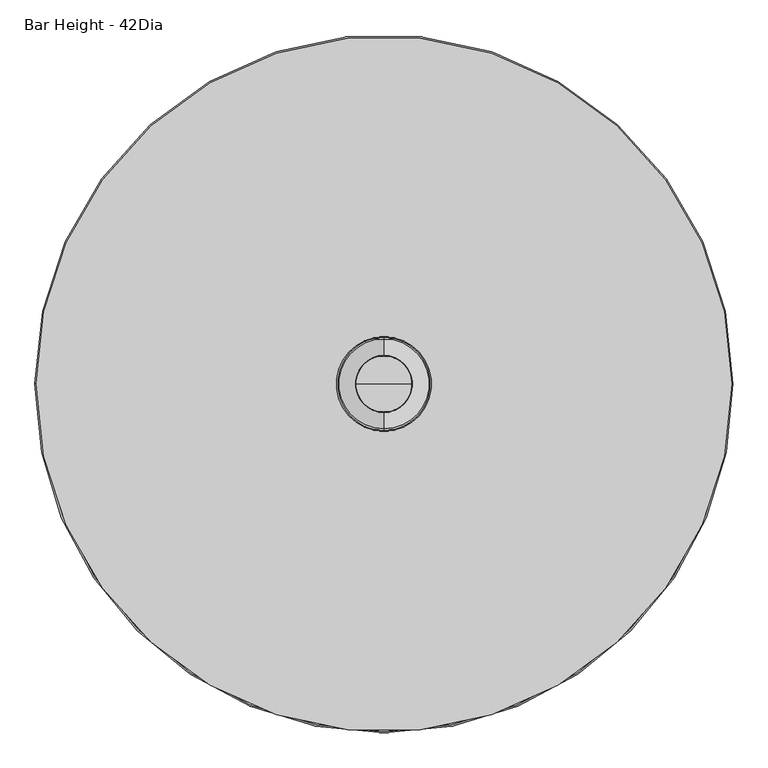
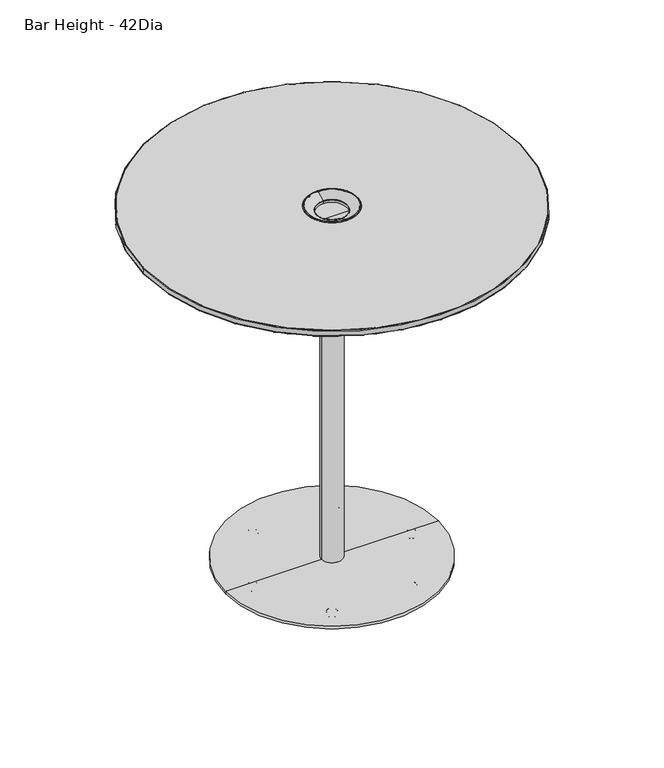
"""IFC4 building model written with IfcOpenShell, lengths in millimetres: furniture geometry, Bar Height - 42Dia."""

from ifc_helpers import new_model, si_unit, point, frame, origin, origin_with_axes, origin_2d, place, context, project, spatial, polyline, circle_curve, ellipse_curve, trimmed, segment, composite_curve, outline, extrude, source, transform, mapped, element, save
from ifc_brep_helpers import plane_surface, cylinder_surface, revolved_surface, advanced_brep


def bar_height_42dia_0636db84(model_context):
    return source(origin(), model_context, "Body", "SolidModel", [
        advanced_brep(
        [(112.3723043, -195.0325848, 0.0), (119.7149467, -202.3752273, 0.0), (105.0296619, -187.6899424, 0.0), (120.2614489, -202.9217294, 0.5718943), (104.4831597, -187.1434403, 0.5718943), (122.560548, -205.2208285, 11.2068005), (102.1840606, -184.8443412, 11.2068005), (122.1455272, -204.8058077, 11.9999882), (102.5990814, -185.259362, 11.9999882), (112.3723043, -195.0325848, 11.9999882)],
        [
            (0, 1),
            (1, 2, circle_curve(frame((112.3723043, -195.0325848, 0.0), z_axis=(0.0, 0.0, -1.0), x_axis=(0.7071067811865602, -0.7071067811865349, 0.0)), 10.3840645)),
            (2, 0),
            (2, 1, circle_curve(frame((112.3723043, -195.0325848, 0.0), z_axis=(0.0, 0.0, -1.0), x_axis=(0.7071067811865602, -0.7071067811865349, 0.0)), 10.3840645)),
            (1, 3, circle_curve(frame((119.7149467, -202.3752273, 0.8081846), z_axis=(-0.7071067811865349, -0.7071067811865602, 0.0), x_axis=(0.7071067811865602, -0.7071067811865349, 0.0)), 0.8081846)),
            (3, 4, circle_curve(frame((112.3723043, -195.0325848, 0.5718943), z_axis=(0.0, 0.0, -1.0), x_axis=(0.7071067811865602, -0.7071067811865349, 0.0)), 11.1569353)),
            (4, 2, circle_curve(frame((105.0296619, -187.6899424, 0.8081846), z_axis=(-0.7071067811865326, -0.7071067811865626, 0.0), x_axis=(-0.7071067811865626, 0.7071067811865326, 0.0)), 0.8081846)),
            (4, 3, circle_curve(frame((112.3723043, -195.0325848, 0.5718943), z_axis=(0.0, 0.0, -1.0), x_axis=(0.7071067811865602, -0.7071067811865349, 0.0)), 11.1569353)),
            (3, 5),
            (5, 6, circle_curve(frame((112.3723043, -195.0325848, 11.2068005), z_axis=(0.0, 0.0, -1.0), x_axis=(0.7071067811865602, -0.7071067811865349, 0.0)), 14.4083524)),
            (6, 4),
            (6, 5, circle_curve(frame((112.3723043, -195.0325848, 11.2068005), z_axis=(0.0, 0.0, -1.0), x_axis=(0.7071067811865602, -0.7071067811865349, 0.0)), 14.4083524)),
            (5, 7, circle_curve(frame((122.1455272, -204.8058077, 11.3862424), z_axis=(-0.7071067811865349, -0.7071067811865602, 0.0), x_axis=(0.7071067811865602, -0.7071067811865349, 0.0)), 0.6137458)),
            (7, 8, circle_curve(frame((112.3723043, -195.0325848, 11.9999882), z_axis=(0.0, 0.0, -1.0), x_axis=(0.7071067811865602, -0.7071067811865349, 0.0)), 13.8214243)),
            (8, 6, circle_curve(frame((102.5990814, -185.259362, 11.3862424), z_axis=(-0.7071067811865326, -0.7071067811865626, 0.0), x_axis=(-0.7071067811865626, 0.7071067811865326, 0.0)), 0.6137458)),
            (8, 7, circle_curve(frame((112.3723043, -195.0325848, 11.9999882), z_axis=(0.0, 0.0, -1.0), x_axis=(0.7071067811865602, -0.7071067811865349, 0.0)), 13.8214243)),
            (7, 9),
            (9, 8),
        ],
        [
            plane_surface(frame((112.3723043, -195.0325848, 0.0), z_axis=(0.0, 0.0, -1.0000000000000002), x_axis=(0.7071067811865602, -0.7071067811865349, 0.0))),
            revolved_surface(trimmed(ellipse_curve(frame((119.7149467, -202.3752273, 0.8081846), z_axis=(0.7071067811865349, 0.7071067811865602, 0.0), x_axis=(0.7071067811865602, -0.7071067811865349, 0.0)), 0.8081846, 0.8081846), [point((120.2614489, -202.9217294, 0.5718943))], [point((119.7149467, -202.3752273, 0.0))], True, "CARTESIAN"), (112.3723043, -195.0325848, 12.2086845), (0.0, 0.0, -1.0)),
            revolved_surface(polyline([(122.560548, -205.2208285, 11.2068005), (120.2614489, -202.9217294, 0.5718943)]), (112.3723043, -195.0325848, 12.2086845), (0.0, 0.0, -1.0)),
            revolved_surface(trimmed(ellipse_curve(frame((122.1455272, -204.8058077, 11.3862424), z_axis=(0.7071067811865349, 0.7071067811865602, 0.0), x_axis=(0.7071067811865602, -0.7071067811865349, 0.0)), 0.6137458, 0.6137458), [point((122.1455272, -204.8058077, 11.9999882))], [point((122.560548, -205.2208285, 11.2068005))], True, "CARTESIAN"), (112.3723043, -195.0325848, 12.2086845), (0.0, 0.0, -1.0)),
            plane_surface(frame((112.3723043, -195.0325848, 11.9999882), z_axis=(0.0, 0.0, 1.0000000000000002), x_axis=(0.7071067811865602, -0.7071067811865349, 0.0))),
        ],
        [
            (0, [[1, 2, 3]]),
            (0, [[-3, 4, -1]]),
            (1, [[-2, 5, 6, 7]]),
            (1, [[-4, -7, 8, -5]]),
            (2, [[-6, 9, 10, 11]]),
            (2, [[-8, -11, 12, -9]]),
            (3, [[-10, 13, 14, 15]]),
            (3, [[-12, -15, 16, -13]]),
            (4, [[-14, 17, 18]]),
            (4, [[-16, -18, -17]]),
        ],
    ),
        advanced_brep(
        [(-104.9597041, -187.5851027, 0.0), (-119.6449889, -202.2703876, 0.0), (-112.3023465, -194.9277451, 0.0), (-104.4132019, -187.0386006, 0.5718943), (-120.1914911, -202.8168897, 0.5718943), (-102.1141028, -184.7395015, 11.2068005), (-122.4905902, -205.1159888, 11.2068005), (-102.5291236, -185.1545223, 11.9999882), (-122.0755694, -204.700968, 11.9999882), (-112.3023465, -194.9277451, 11.9999882)],
        [
            (0, 1, circle_curve(frame((-112.3023465, -194.9277451, 0.0), z_axis=(0.0, 0.0, -1.0), x_axis=(-0.7071067811865602, -0.7071067811865349, 0.0)), 10.3840645)),
            (1, 2),
            (2, 0),
            (1, 0, circle_curve(frame((-112.3023465, -194.9277451, 0.0), z_axis=(0.0, 0.0, -1.0), x_axis=(-0.7071067811865602, -0.7071067811865349, 0.0)), 10.3840645)),
            (3, 4, circle_curve(frame((-112.3023465, -194.9277451, 0.5718943), z_axis=(0.0, 0.0, -1.0), x_axis=(-0.7071067811865602, -0.7071067811865349, 0.0)), 11.1569353)),
            (4, 1, circle_curve(frame((-119.6449889, -202.2703876, 0.8081846), z_axis=(0.7071067811865349, -0.7071067811865602, 0.0), x_axis=(-0.7071067811865602, -0.7071067811865349, 0.0)), 0.8081846)),
            (0, 3, circle_curve(frame((-104.9597041, -187.5851027, 0.8081846), z_axis=(0.7071067811865326, -0.7071067811865626, 0.0), x_axis=(0.7071067811865626, 0.7071067811865326, 0.0)), 0.8081846)),
            (4, 3, circle_curve(frame((-112.3023465, -194.9277451, 0.5718943), z_axis=(0.0, 0.0, -1.0), x_axis=(-0.7071067811865602, -0.7071067811865349, 0.0)), 11.1569353)),
            (5, 6, circle_curve(frame((-112.3023465, -194.9277451, 11.2068005), z_axis=(0.0, 0.0, -1.0), x_axis=(-0.7071067811865602, -0.7071067811865349, 0.0)), 14.4083524)),
            (6, 4),
            (3, 5),
            (6, 5, circle_curve(frame((-112.3023465, -194.9277451, 11.2068005), z_axis=(0.0, 0.0, -1.0), x_axis=(-0.7071067811865602, -0.7071067811865349, 0.0)), 14.4083524)),
            (7, 8, circle_curve(frame((-112.3023465, -194.9277451, 11.9999882), z_axis=(0.0, 0.0, -1.0), x_axis=(-0.7071067811865602, -0.7071067811865349, 0.0)), 13.8214243)),
            (8, 6, circle_curve(frame((-122.0755694, -204.700968, 11.3862424), z_axis=(0.7071067811865349, -0.7071067811865602, 0.0), x_axis=(-0.7071067811865602, -0.7071067811865349, 0.0)), 0.6137458)),
            (5, 7, circle_curve(frame((-102.5291236, -185.1545223, 11.3862424), z_axis=(0.7071067811865326, -0.7071067811865626, 0.0), x_axis=(0.7071067811865626, 0.7071067811865326, 0.0)), 0.6137458)),
            (8, 7, circle_curve(frame((-112.3023465, -194.9277451, 11.9999882), z_axis=(0.0, 0.0, -1.0), x_axis=(-0.7071067811865602, -0.7071067811865349, 0.0)), 13.8214243)),
            (9, 8),
            (7, 9),
        ],
        [
            plane_surface(frame((-112.3023465, -194.9277451, 0.0), z_axis=(0.0, 0.0, -1.0000000000000002), x_axis=(-0.7071067811865602, -0.7071067811865349, 0.0))),
            revolved_surface(trimmed(ellipse_curve(frame((-119.6449889, -202.2703876, 0.8081846), z_axis=(-0.7071067811865349, 0.7071067811865602, 0.0), x_axis=(-0.7071067811865602, -0.7071067811865349, 0.0)), 0.8081846, 0.8081846), [point((-119.6449889, -202.2703876, 0.0))], [point((-120.1914911, -202.8168897, 0.5718943))], True, "CARTESIAN"), (-112.3023465, -194.9277451, 12.2086845), (0.0, 0.0, 1.0)),
            revolved_surface(polyline([(-120.1914911, -202.8168897, 0.5718943), (-122.4905902, -205.1159888, 11.2068005)]), (-112.3023465, -194.9277451, 12.2086845), (0.0, 0.0, 1.0)),
            revolved_surface(trimmed(ellipse_curve(frame((-122.0755694, -204.700968, 11.3862424), z_axis=(-0.7071067811865349, 0.7071067811865602, 0.0), x_axis=(-0.7071067811865602, -0.7071067811865349, 0.0)), 0.6137458, 0.6137458), [point((-122.4905902, -205.1159888, 11.2068005))], [point((-122.0755694, -204.700968, 11.9999882))], True, "CARTESIAN"), (-112.3023465, -194.9277451, 12.2086845), (0.0, 0.0, 1.0)),
            plane_surface(frame((-112.3023465, -194.9277451, 11.9999882), z_axis=(0.0, 0.0, 1.0000000000000002), x_axis=(-0.7071067811865602, -0.7071067811865349, 0.0))),
        ],
        [
            (0, [[1, 2, 3]]),
            (0, [[4, -3, -2]]),
            (1, [[5, 6, -1, 7]]),
            (1, [[8, -7, -4, -6]]),
            (2, [[9, 10, -5, 11]]),
            (2, [[12, -11, -8, -10]]),
            (3, [[13, 14, -9, 15]]),
            (3, [[16, -15, -12, -14]]),
            (4, [[17, -13, 18]]),
            (4, [[-18, -16, -17]]),
        ],
    ),
        advanced_brep(
        [(-112.055175, -184.4898776, 0.0), (-112.055175, -205.2580066, 0.0), (-112.055175, -194.8739421, 0.0), (-112.055175, -183.7170068, 0.5718943), (-112.055175, -206.0308773, 0.5718943), (-112.055175, -180.4655897, 11.2068005), (-112.055175, -209.2822944, 11.2068005), (-112.055175, -181.0525177, 11.9999882), (-112.055175, -208.6953664, 11.9999882), (-112.055175, -194.8739421, 11.9999882)],
        [
            (0, 1, circle_curve(frame((-112.055175, -194.8739421, 0.0), z_axis=(0.0, 0.0, -1.0), x_axis=(0.0, -1.0, 0.0)), 10.3840645)),
            (1, 2),
            (2, 0),
            (1, 0, circle_curve(frame((-112.055175, -194.8739421, 0.0), z_axis=(0.0, 0.0, -1.0), x_axis=(0.0, -1.0, 0.0)), 10.3840645)),
            (3, 4, circle_curve(frame((-112.055175, -194.8739421, 0.5718943), z_axis=(0.0, 0.0, -1.0), x_axis=(0.0, -1.0, 0.0)), 11.1569353)),
            (4, 1, circle_curve(frame((-112.055175, -205.2580066, 0.8081846), z_axis=(1.0, 0.0, 0.0), x_axis=(0.0, -1.0, 0.0)), 0.8081846)),
            (0, 3, circle_curve(frame((-112.055175, -184.4898776, 0.8081846), z_axis=(1.0, 0.0, 0.0), x_axis=(0.0, 1.0, 0.0)), 0.8081846)),
            (4, 3, circle_curve(frame((-112.055175, -194.8739421, 0.5718943), z_axis=(0.0, 0.0, -1.0), x_axis=(0.0, -1.0, 0.0)), 11.1569353)),
            (5, 6, circle_curve(frame((-112.055175, -194.8739421, 11.2068005), z_axis=(0.0, 0.0, -1.0), x_axis=(0.0, -1.0, 0.0)), 14.4083524)),
            (6, 4),
            (3, 5),
            (6, 5, circle_curve(frame((-112.055175, -194.8739421, 11.2068005), z_axis=(0.0, 0.0, -1.0), x_axis=(0.0, -1.0, 0.0)), 14.4083524)),
            (7, 8, circle_curve(frame((-112.055175, -194.8739421, 11.9999882), z_axis=(0.0, 0.0, -1.0), x_axis=(0.0, -1.0, 0.0)), 13.8214243)),
            (8, 6, circle_curve(frame((-112.055175, -208.6953664, 11.3862424), z_axis=(1.0, 0.0, 0.0), x_axis=(0.0, -1.0, 0.0)), 0.6137458)),
            (5, 7, circle_curve(frame((-112.055175, -181.0525177, 11.3862424), z_axis=(1.0, 0.0, 0.0), x_axis=(0.0, 1.0, 0.0)), 0.6137458)),
            (8, 7, circle_curve(frame((-112.055175, -194.8739421, 11.9999882), z_axis=(0.0, 0.0, -1.0), x_axis=(0.0, -1.0, 0.0)), 13.8214243)),
            (9, 8),
            (7, 9),
        ],
        [
            plane_surface(frame((-112.055175, -194.8739421, 0.0), z_axis=(0.0, 0.0, -1.0), x_axis=(0.0, -1.0, 0.0))),
            revolved_surface(trimmed(ellipse_curve(frame((-112.055175, -205.2580066, 0.8081846), z_axis=(-1.0, 0.0, 0.0), x_axis=(0.0, -1.0, 0.0)), 0.8081846, 0.8081846), [point((-112.055175, -205.2580066, 0.0))], [point((-112.055175, -206.0308773, 0.5718943))], True, "CARTESIAN"), (-112.055175, -194.8739421, 12.2086845), (0.0, 0.0, 1.0)),
            revolved_surface(polyline([(-112.055175, -206.0308773, 0.5718943), (-112.055175, -209.2822944, 11.2068005)]), (-112.055175, -194.8739421, 12.2086845), (0.0, 0.0, 1.0)),
            revolved_surface(trimmed(ellipse_curve(frame((-112.055175, -208.6953664, 11.3862424), z_axis=(-1.0, 0.0, 0.0), x_axis=(0.0, -1.0, 0.0)), 0.6137458, 0.6137458), [point((-112.055175, -209.2822944, 11.2068005))], [point((-112.055175, -208.6953664, 11.9999882))], True, "CARTESIAN"), (-112.055175, -194.8739421, 12.2086845), (0.0, 0.0, 1.0)),
            plane_surface(frame((-112.055175, -194.8739421, 11.9999882), z_axis=(0.0, 0.0, 1.0), x_axis=(0.0, -1.0, 0.0))),
        ],
        [
            (0, [[1, 2, 3]]),
            (0, [[4, -3, -2]]),
            (1, [[5, 6, -1, 7]]),
            (1, [[8, -7, -4, -6]]),
            (2, [[9, 10, -5, 11]]),
            (2, [[12, -11, -8, -10]]),
            (3, [[13, 14, -9, 15]]),
            (3, [[16, -15, -12, -14]]),
            (4, [[17, -13, 18]]),
            (4, [[-18, -16, -17]]),
        ],
    ),
        advanced_brep(
        [(214.9060746, 0.0, 0.0), (235.6742036, 0.0, 0.0), (225.2901391, 0.0, 0.0), (214.1332039, 0.0, 0.5718943), (236.4470744, 0.0, 0.5718943), (210.8817867, 0.0, 11.2068005), (239.6984915, 0.0, 11.2068005), (211.4687148, 0.0, 11.9999882), (239.1115635, 0.0, 11.9999882), (225.2901391, 0.0, 11.9999882)],
        [
            (0, 1, circle_curve(frame((225.2901391, 0.0, 0.0), z_axis=(0.0, 0.0, -1.0), x_axis=(1.0, 0.0, 0.0)), 10.3840645)),
            (1, 2),
            (2, 0),
            (1, 0, circle_curve(frame((225.2901391, 0.0, 0.0), z_axis=(0.0, 0.0, -1.0), x_axis=(1.0, 0.0, 0.0)), 10.3840645)),
            (3, 4, circle_curve(frame((225.2901391, 0.0, 0.5718943), z_axis=(0.0, 0.0, -1.0), x_axis=(1.0, 0.0, 0.0)), 11.1569353)),
            (4, 1, circle_curve(frame((235.6742036, 0.0, 0.8081846), z_axis=(0.0, 1.0, 0.0), x_axis=(1.0, 0.0, 0.0)), 0.8081846)),
            (0, 3, circle_curve(frame((214.9060746, 0.0, 0.8081846), z_axis=(0.0, 1.0, 0.0), x_axis=(-1.0, 0.0, 0.0)), 0.8081846)),
            (4, 3, circle_curve(frame((225.2901391, 0.0, 0.5718943), z_axis=(0.0, 0.0, -1.0), x_axis=(1.0, 0.0, 0.0)), 11.1569353)),
            (5, 6, circle_curve(frame((225.2901391, 0.0, 11.2068005), z_axis=(0.0, 0.0, -1.0), x_axis=(1.0, 0.0, 0.0)), 14.4083524)),
            (6, 4),
            (3, 5),
            (6, 5, circle_curve(frame((225.2901391, 0.0, 11.2068005), z_axis=(0.0, 0.0, -1.0), x_axis=(1.0, 0.0, 0.0)), 14.4083524)),
            (7, 8, circle_curve(frame((225.2901391, 0.0, 11.9999882), z_axis=(0.0, 0.0, -1.0), x_axis=(1.0, 0.0, 0.0)), 13.8214243)),
            (8, 6, circle_curve(frame((239.1115635, 0.0, 11.3862424), z_axis=(0.0, 1.0, 0.0), x_axis=(1.0, 0.0, 0.0)), 0.6137458)),
            (5, 7, circle_curve(frame((211.4687148, 0.0, 11.3862424), z_axis=(0.0, 1.0, 0.0), x_axis=(-1.0, 0.0, 0.0)), 0.6137458)),
            (8, 7, circle_curve(frame((225.2901391, 0.0, 11.9999882), z_axis=(0.0, 0.0, -1.0), x_axis=(1.0, 0.0, 0.0)), 13.8214243)),
            (9, 8),
            (7, 9),
        ],
        [
            plane_surface(frame((225.2901391, 0.0, 0.0), z_axis=(0.0, 0.0, -1.0), x_axis=(1.0, 0.0, 0.0))),
            revolved_surface(trimmed(ellipse_curve(frame((235.6742036, 0.0, 0.8081846), z_axis=(0.0, -1.0, 0.0), x_axis=(1.0, 0.0, 0.0)), 0.8081846, 0.8081846), [point((235.6742036, 0.0, 0.0))], [point((236.4470744, 0.0, 0.5718943))], True, "CARTESIAN"), (225.2901391, 0.0, 12.2086845), (0.0, 0.0, 1.0)),
            revolved_surface(polyline([(236.4470744, 0.0, 0.5718943), (239.6984915, 0.0, 11.2068005)]), (225.2901391, 0.0, 12.2086845), (0.0, 0.0, 1.0)),
            revolved_surface(trimmed(ellipse_curve(frame((239.1115635, 0.0, 11.3862424), z_axis=(0.0, -1.0, 0.0), x_axis=(1.0, 0.0, 0.0)), 0.6137458, 0.6137458), [point((239.6984915, 0.0, 11.2068005))], [point((239.1115635, 0.0, 11.9999882))], True, "CARTESIAN"), (225.2901391, 0.0, 12.2086845), (0.0, 0.0, 1.0)),
            plane_surface(frame((225.2901391, 0.0, 11.9999882), z_axis=(0.0, 0.0, 1.0), x_axis=(1.0, 0.0, 0.0))),
        ],
        [
            (0, [[1, 2, 3]]),
            (0, [[4, -3, -2]]),
            (1, [[5, 6, -1, 7]]),
            (1, [[8, -7, -4, -6]]),
            (2, [[9, 10, -5, 11]]),
            (2, [[12, -11, -8, -10]]),
            (3, [[13, 14, -9, 15]]),
            (3, [[16, -15, -12, -14]]),
            (4, [[17, -13, 18]]),
            (4, [[-18, -16, -17]]),
        ],
    ),
        advanced_brep(
        [(102.9986415, 175.7657839, 0.0), (117.6839264, 190.4510688, 0.0), (110.341284, 183.1084263, 0.0), (102.4521394, 175.2192818, 0.5718943), (118.2304285, 190.9975709, 0.5718943), (100.1530403, 172.9201827, 11.2068005), (120.5295276, 193.29667, 11.2068005), (100.5680611, 173.3352035, 11.9999882), (120.1145068, 192.8816492, 11.9999882), (110.341284, 183.1084263, 11.9999882)],
        [
            (0, 1, circle_curve(frame((110.341284, 183.1084263, 0.0), z_axis=(0.0, 0.0, -1.0), x_axis=(0.7071067811865602, 0.7071067811865349, 0.0)), 10.3840645)),
            (1, 2),
            (2, 0),
            (1, 0, circle_curve(frame((110.341284, 183.1084263, 0.0), z_axis=(0.0, 0.0, -1.0), x_axis=(0.7071067811865602, 0.7071067811865349, 0.0)), 10.3840645)),
            (3, 4, circle_curve(frame((110.341284, 183.1084263, 0.5718943), z_axis=(0.0, 0.0, -1.0), x_axis=(0.7071067811865602, 0.7071067811865349, 0.0)), 11.1569353)),
            (4, 1, circle_curve(frame((117.6839264, 190.4510688, 0.8081846), z_axis=(-0.7071067811865349, 0.7071067811865602, 0.0), x_axis=(0.7071067811865602, 0.7071067811865349, 0.0)), 0.8081846)),
            (0, 3, circle_curve(frame((102.9986415, 175.7657839, 0.8081846), z_axis=(-0.7071067811865326, 0.7071067811865626, 0.0), x_axis=(-0.7071067811865626, -0.7071067811865326, 0.0)), 0.8081846)),
            (4, 3, circle_curve(frame((110.341284, 183.1084263, 0.5718943), z_axis=(0.0, 0.0, -1.0), x_axis=(0.7071067811865602, 0.7071067811865349, 0.0)), 11.1569353)),
            (5, 6, circle_curve(frame((110.341284, 183.1084263, 11.2068005), z_axis=(0.0, 0.0, -1.0), x_axis=(0.7071067811865602, 0.7071067811865349, 0.0)), 14.4083524)),
            (6, 4),
            (3, 5),
            (6, 5, circle_curve(frame((110.341284, 183.1084263, 11.2068005), z_axis=(0.0, 0.0, -1.0), x_axis=(0.7071067811865602, 0.7071067811865349, 0.0)), 14.4083524)),
            (7, 8, circle_curve(frame((110.341284, 183.1084263, 11.9999882), z_axis=(0.0, 0.0, -1.0), x_axis=(0.7071067811865602, 0.7071067811865349, 0.0)), 13.8214243)),
            (8, 6, circle_curve(frame((120.1145068, 192.8816492, 11.3862424), z_axis=(-0.7071067811865349, 0.7071067811865602, 0.0), x_axis=(0.7071067811865602, 0.7071067811865349, 0.0)), 0.6137458)),
            (5, 7, circle_curve(frame((100.5680611, 173.3352035, 11.3862424), z_axis=(-0.7071067811865326, 0.7071067811865626, 0.0), x_axis=(-0.7071067811865626, -0.7071067811865326, 0.0)), 0.6137458)),
            (8, 7, circle_curve(frame((110.341284, 183.1084263, 11.9999882), z_axis=(0.0, 0.0, -1.0), x_axis=(0.7071067811865602, 0.7071067811865349, 0.0)), 13.8214243)),
            (9, 8),
            (7, 9),
        ],
        [
            plane_surface(frame((110.341284, 183.1084263, 0.0), z_axis=(0.0, 0.0, -1.0000000000000002), x_axis=(0.7071067811865602, 0.7071067811865349, 0.0))),
            revolved_surface(trimmed(ellipse_curve(frame((117.6839264, 190.4510688, 0.8081846), z_axis=(0.7071067811865349, -0.7071067811865602, 0.0), x_axis=(0.7071067811865602, 0.7071067811865349, 0.0)), 0.8081846, 0.8081846), [point((117.6839264, 190.4510688, 0.0))], [point((118.2304285, 190.9975709, 0.5718943))], True, "CARTESIAN"), (110.341284, 183.1084263, 12.2086845), (0.0, 0.0, 1.0)),
            revolved_surface(polyline([(118.2304285, 190.9975709, 0.5718943), (120.5295276, 193.29667, 11.2068005)]), (110.341284, 183.1084263, 12.2086845), (0.0, 0.0, 1.0)),
            revolved_surface(trimmed(ellipse_curve(frame((120.1145068, 192.8816492, 11.3862424), z_axis=(0.7071067811865349, -0.7071067811865602, 0.0), x_axis=(0.7071067811865602, 0.7071067811865349, 0.0)), 0.6137458, 0.6137458), [point((120.5295276, 193.29667, 11.2068005))], [point((120.1145068, 192.8816492, 11.9999882))], True, "CARTESIAN"), (110.341284, 183.1084263, 12.2086845), (0.0, 0.0, 1.0)),
            plane_surface(frame((110.341284, 183.1084263, 11.9999882), z_axis=(0.0, 0.0, 1.0000000000000002), x_axis=(0.7071067811865602, 0.7071067811865349, 0.0))),
        ],
        [
            (0, [[1, 2, 3]]),
            (0, [[4, -3, -2]]),
            (1, [[5, 6, -1, 7]]),
            (1, [[8, -7, -4, -6]]),
            (2, [[9, 10, -5, 11]]),
            (2, [[12, -11, -8, -10]]),
            (3, [[13, 14, -9, 15]]),
            (3, [[16, -15, -12, -14]]),
            (4, [[17, -13, 18]]),
            (4, [[-18, -16, -17]]),
        ],
    ),
        advanced_brep(
        [(-112.5027991, 194.9473484, 0.0), (-119.8454415, 202.2899909, 0.0), (-105.1601566, 187.604706, 0.0), (-120.3919436, 202.836493, 0.5718943), (-104.6136545, 187.0582039, 0.5718943), (-122.6910427, 205.1355921, 11.2068005), (-102.3145554, 184.7591048, 11.2068005), (-122.2760219, 204.7205713, 11.9999882), (-102.7295762, 185.1741256, 11.9999882), (-112.5027991, 194.9473484, 11.9999882)],
        [
            (0, 1),
            (1, 2, circle_curve(frame((-112.5027991, 194.9473484, 0.0), z_axis=(0.0, 0.0, -1.0), x_axis=(-0.7071067811865602, 0.7071067811865349, 0.0)), 10.3840645)),
            (2, 0),
            (2, 1, circle_curve(frame((-112.5027991, 194.9473484, 0.0), z_axis=(0.0, 0.0, -1.0), x_axis=(-0.7071067811865602, 0.7071067811865349, 0.0)), 10.3840645)),
            (1, 3, circle_curve(frame((-119.8454415, 202.2899909, 0.8081846), z_axis=(0.7071067811865349, 0.7071067811865602, 0.0), x_axis=(-0.7071067811865602, 0.7071067811865349, 0.0)), 0.8081846)),
            (3, 4, circle_curve(frame((-112.5027991, 194.9473484, 0.5718943), z_axis=(0.0, 0.0, -1.0), x_axis=(-0.7071067811865602, 0.7071067811865349, 0.0)), 11.1569353)),
            (4, 2, circle_curve(frame((-105.1601566, 187.604706, 0.8081846), z_axis=(0.7071067811865326, 0.7071067811865626, 0.0), x_axis=(0.7071067811865626, -0.7071067811865326, 0.0)), 0.8081846)),
            (4, 3, circle_curve(frame((-112.5027991, 194.9473484, 0.5718943), z_axis=(0.0, 0.0, -1.0), x_axis=(-0.7071067811865602, 0.7071067811865349, 0.0)), 11.1569353)),
            (3, 5),
            (5, 6, circle_curve(frame((-112.5027991, 194.9473484, 11.2068005), z_axis=(0.0, 0.0, -1.0), x_axis=(-0.7071067811865602, 0.7071067811865349, 0.0)), 14.4083524)),
            (6, 4),
            (6, 5, circle_curve(frame((-112.5027991, 194.9473484, 11.2068005), z_axis=(0.0, 0.0, -1.0), x_axis=(-0.7071067811865602, 0.7071067811865349, 0.0)), 14.4083524)),
            (5, 7, circle_curve(frame((-122.2760219, 204.7205713, 11.3862424), z_axis=(0.7071067811865349, 0.7071067811865602, 0.0), x_axis=(-0.7071067811865602, 0.7071067811865349, 0.0)), 0.6137458)),
            (7, 8, circle_curve(frame((-112.5027991, 194.9473484, 11.9999882), z_axis=(0.0, 0.0, -1.0), x_axis=(-0.7071067811865602, 0.7071067811865349, 0.0)), 13.8214243)),
            (8, 6, circle_curve(frame((-102.7295762, 185.1741256, 11.3862424), z_axis=(0.7071067811865326, 0.7071067811865626, 0.0), x_axis=(0.7071067811865626, -0.7071067811865326, 0.0)), 0.6137458)),
            (8, 7, circle_curve(frame((-112.5027991, 194.9473484, 11.9999882), z_axis=(0.0, 0.0, -1.0), x_axis=(-0.7071067811865602, 0.7071067811865349, 0.0)), 13.8214243)),
            (7, 9),
            (9, 8),
        ],
        [
            plane_surface(frame((-112.5027991, 194.9473484, 0.0), z_axis=(0.0, 0.0, -1.0000000000000002), x_axis=(-0.7071067811865602, 0.7071067811865349, 0.0))),
            revolved_surface(trimmed(ellipse_curve(frame((-119.8454415, 202.2899909, 0.8081846), z_axis=(-0.7071067811865349, -0.7071067811865602, 0.0), x_axis=(-0.7071067811865602, 0.7071067811865349, 0.0)), 0.8081846, 0.8081846), [point((-120.3919436, 202.836493, 0.5718943))], [point((-119.8454415, 202.2899909, 0.0))], True, "CARTESIAN"), (-112.5027991, 194.9473484, 12.2086845), (0.0, 0.0, -1.0)),
            revolved_surface(polyline([(-122.6910427, 205.1355921, 11.2068005), (-120.3919436, 202.836493, 0.5718943)]), (-112.5027991, 194.9473484, 12.2086845), (0.0, 0.0, -1.0)),
            revolved_surface(trimmed(ellipse_curve(frame((-122.2760219, 204.7205713, 11.3862424), z_axis=(-0.7071067811865349, -0.7071067811865602, 0.0), x_axis=(-0.7071067811865602, 0.7071067811865349, 0.0)), 0.6137458, 0.6137458), [point((-122.2760219, 204.7205713, 11.9999882))], [point((-122.6910427, 205.1355921, 11.2068005))], True, "CARTESIAN"), (-112.5027991, 194.9473484, 12.2086845), (0.0, 0.0, -1.0)),
            plane_surface(frame((-112.5027991, 194.9473484, 11.9999882), z_axis=(0.0, 0.0, 1.0000000000000002), x_axis=(-0.7071067811865602, 0.7071067811865349, 0.0))),
        ],
        [
            (0, [[1, 2, 3]]),
            (0, [[-3, 4, -1]]),
            (1, [[-2, 5, 6, 7]]),
            (1, [[-4, -7, 8, -5]]),
            (2, [[-6, 9, 10, 11]]),
            (2, [[-8, -11, 12, -9]]),
            (3, [[-10, 13, 14, 15]]),
            (3, [[-12, -15, 16, -13]]),
            (4, [[-14, 17, 18]]),
            (4, [[-16, -18, -17]]),
        ],
    ),
        advanced_brep(
        [(-225.0355893, 0.0, 0.0), (-235.4196538, 0.0, 0.0), (-214.6515248, 0.0, 0.0), (-236.1925246, 0.0, 0.5718943), (-213.8786541, 0.0, 0.5718943), (-239.4439417, 0.0, 11.2068005), (-210.6272369, 0.0, 11.2068005), (-238.8570136, 0.0, 11.9999882), (-211.214165, 0.0, 11.9999882), (-225.0355893, 0.0, 11.9999882)],
        [
            (0, 1),
            (1, 2, circle_curve(frame((-225.0355893, 0.0, 0.0), z_axis=(0.0, 0.0, -1.0), x_axis=(-1.0, 0.0, 0.0)), 10.3840645)),
            (2, 0),
            (2, 1, circle_curve(frame((-225.0355893, 0.0, 0.0), z_axis=(0.0, 0.0, -1.0), x_axis=(-1.0, 0.0, 0.0)), 10.3840645)),
            (1, 3, circle_curve(frame((-235.4196538, 0.0, 0.8081846), z_axis=(0.0, 1.0, 0.0), x_axis=(-1.0, 0.0, 0.0)), 0.8081846)),
            (3, 4, circle_curve(frame((-225.0355893, 0.0, 0.5718943), z_axis=(0.0, 0.0, -1.0), x_axis=(-1.0, 0.0, 0.0)), 11.1569353)),
            (4, 2, circle_curve(frame((-214.6515248, 0.0, 0.8081846), z_axis=(0.0, 1.0, 0.0), x_axis=(1.0, 0.0, 0.0)), 0.8081846)),
            (4, 3, circle_curve(frame((-225.0355893, 0.0, 0.5718943), z_axis=(0.0, 0.0, -1.0), x_axis=(-1.0, 0.0, 0.0)), 11.1569353)),
            (3, 5),
            (5, 6, circle_curve(frame((-225.0355893, 0.0, 11.2068005), z_axis=(0.0, 0.0, -1.0), x_axis=(-1.0, 0.0, 0.0)), 14.4083524)),
            (6, 4),
            (6, 5, circle_curve(frame((-225.0355893, 0.0, 11.2068005), z_axis=(0.0, 0.0, -1.0), x_axis=(-1.0, 0.0, 0.0)), 14.4083524)),
            (5, 7, circle_curve(frame((-238.8570136, 0.0, 11.3862424), z_axis=(0.0, 1.0, 0.0), x_axis=(-1.0, 0.0, 0.0)), 0.6137458)),
            (7, 8, circle_curve(frame((-225.0355893, 0.0, 11.9999882), z_axis=(0.0, 0.0, -1.0), x_axis=(-1.0, 0.0, 0.0)), 13.8214243)),
            (8, 6, circle_curve(frame((-211.214165, 0.0, 11.3862424), z_axis=(0.0, 1.0, 0.0), x_axis=(1.0, 0.0, 0.0)), 0.6137458)),
            (8, 7, circle_curve(frame((-225.0355893, 0.0, 11.9999882), z_axis=(0.0, 0.0, -1.0), x_axis=(-1.0, 0.0, 0.0)), 13.8214243)),
            (7, 9),
            (9, 8),
        ],
        [
            plane_surface(frame((-225.0355893, 0.0, 0.0), z_axis=(0.0, 0.0, -1.0), x_axis=(-1.0, 0.0, 0.0))),
            revolved_surface(trimmed(ellipse_curve(frame((-235.4196538, 0.0, 0.8081846), z_axis=(0.0, -1.0, 0.0), x_axis=(-1.0, 0.0, 0.0)), 0.8081846, 0.8081846), [point((-236.1925246, 0.0, 0.5718943))], [point((-235.4196538, 0.0, 0.0))], True, "CARTESIAN"), (-225.0355893, 0.0, 12.2086845), (0.0, 0.0, -1.0)),
            revolved_surface(polyline([(-239.4439417, 0.0, 11.2068005), (-236.1925246, 0.0, 0.5718943)]), (-225.0355893, 0.0, 12.2086845), (0.0, 0.0, -1.0)),
            revolved_surface(trimmed(ellipse_curve(frame((-238.8570136, 0.0, 11.3862424), z_axis=(0.0, -1.0, 0.0), x_axis=(-1.0, 0.0, 0.0)), 0.6137458, 0.6137458), [point((-238.8570136, 0.0, 11.9999882))], [point((-239.4439417, 0.0, 11.2068005))], True, "CARTESIAN"), (-225.0355893, 0.0, 12.2086845), (0.0, 0.0, -1.0)),
            plane_surface(frame((-225.0355893, 0.0, 11.9999882), z_axis=(0.0, 0.0, 1.0), x_axis=(-1.0, 0.0, 0.0))),
        ],
        [
            (0, [[1, 2, 3]]),
            (0, [[-3, 4, -1]]),
            (1, [[-2, 5, 6, 7]]),
            (1, [[-4, -7, 8, -5]]),
            (2, [[-6, 9, 10, 11]]),
            (2, [[-8, -11, 12, -9]]),
            (3, [[-10, 13, 14, 15]]),
            (3, [[-12, -15, 16, -13]]),
            (4, [[-14, 17, 18]]),
            (4, [[-16, -18, -17]]),
        ],
    ),
        advanced_brep(
        [(131.5995255, 0.0, 1033.655027), (-131.5995255, 0.0, 1033.655027), (-176.076473, 0.0, 1033.655027), (176.076473, 0.0, 1033.655027), (38.8356016, 0.0, 1017.0899529), (-38.8356016, 0.0, 1017.0899529), (-47.6092868, 0.0, 1017.0899529), (47.6092868, 0.0, 1017.0899529), (29.5495828, 0.0, 19.9999965), (-29.5495828, 0.0, 19.9999965), (-29.5495828, 0.0, 1029.6852036), (29.5495828, 0.0, 1029.6852036), (301.0967005, 0.0, 19.9999965), (-301.0967005, 0.0, 19.9999965), (301.0967005, 0.0, 11.9999882), (-301.0967005, 0.0, 11.9999882), (0.0, 0.0, 11.9999882), (176.076473, 0.0, 1036.830027), (-176.076473, 0.0, 1036.830027), (0.0, 0.0, 1036.830027), (32.5573587, 0.0, 1019.3383874), (-32.5573587, 0.0, 1019.3383874), (30.918584, 0.0, 1029.6852036), (-30.918584, 0.0, 1029.6852036)],
        [
            (0, 1, circle_curve(frame((0.0, 0.0, 1033.655027), z_axis=(0.0, 0.0, 1.0), x_axis=(-1.0, 0.0, 0.0)), 131.5995255)),
            (1, 2),
            (2, 3, circle_curve(frame((0.0, 0.0, 1033.655027), z_axis=(0.0, 0.0, -1.0), x_axis=(-1.0, 0.0, 0.0)), 176.076473)),
            (3, 0),
            (1, 0, circle_curve(frame((0.0, 0.0, 1033.655027), z_axis=(0.0, 0.0, 1.0), x_axis=(-1.0, 0.0, 0.0)), 131.5995255)),
            (3, 2, circle_curve(frame((0.0, 0.0, 1033.655027), z_axis=(0.0, 0.0, -1.0), x_axis=(-1.0, 0.0, 0.0)), 176.076473)),
            (4, 5, circle_curve(frame((0.0, 0.0, 1017.0899529), z_axis=(0.0, 0.0, 1.0), x_axis=(-1.0, 0.0, 0.0)), 38.8356016)),
            (5, 6),
            (6, 7, circle_curve(frame((0.0, 0.0, 1017.0899529), z_axis=(0.0, 0.0, -1.0), x_axis=(-1.0, 0.0, 0.0)), 47.6092868)),
            (7, 4),
            (5, 4, circle_curve(frame((0.0, 0.0, 1017.0899529), z_axis=(0.0, 0.0, 1.0), x_axis=(-1.0, 0.0, 0.0)), 38.8356016)),
            (7, 6, circle_curve(frame((0.0, 0.0, 1017.0899529), z_axis=(0.0, 0.0, -1.0), x_axis=(-1.0, 0.0, 0.0)), 47.6092868)),
            (8, 9, circle_curve(frame((0.0, 0.0, 19.9999965), z_axis=(0.0, 0.0, 1.0), x_axis=(-1.0, 0.0, 0.0)), 29.5495828)),
            (9, 10),
            (10, 11, circle_curve(frame((0.0, 0.0, 1029.6852036), z_axis=(0.0, 0.0, -1.0), x_axis=(-1.0, 0.0, 0.0)), 29.5495828)),
            (11, 8),
            (9, 8, circle_curve(frame((0.0, 0.0, 19.9999965), z_axis=(0.0, 0.0, 1.0), x_axis=(-1.0, 0.0, 0.0)), 29.5495828)),
            (11, 10, circle_curve(frame((0.0, 0.0, 1029.6852036), z_axis=(0.0, 0.0, -1.0), x_axis=(-1.0, 0.0, 0.0)), 29.5495828)),
            (12, 13, circle_curve(frame((0.0, 0.0, 19.9999965), z_axis=(0.0, 0.0, 1.0), x_axis=(-1.0, 0.0, 0.0)), 301.0967005)),
            (13, 9),
            (8, 12),
            (13, 12, circle_curve(frame((0.0, 0.0, 19.9999965), z_axis=(0.0, 0.0, 1.0), x_axis=(-1.0, 0.0, 0.0)), 301.0967005)),
            (14, 15, circle_curve(frame((0.0, 0.0, 11.9999882), z_axis=(0.0, 0.0, 1.0), x_axis=(-1.0, 0.0, 0.0)), 301.0967005)),
            (15, 13),
            (12, 14),
            (15, 14, circle_curve(frame((0.0, 0.0, 11.9999882), z_axis=(0.0, 0.0, 1.0), x_axis=(-1.0, 0.0, 0.0)), 301.0967005)),
            (16, 15),
            (14, 16),
            (17, 18, circle_curve(frame((0.0, 0.0, 1036.830027), z_axis=(0.0, 0.0, 1.0), x_axis=(-1.0, 0.0, 0.0)), 176.076473)),
            (18, 19),
            (19, 17),
            (18, 17, circle_curve(frame((0.0, 0.0, 1036.830027), z_axis=(0.0, 0.0, 1.0), x_axis=(-1.0, 0.0, 0.0)), 176.076473)),
            (2, 18),
            (17, 3),
            (20, 21, circle_curve(frame((0.0, 0.0, 1019.3383874), z_axis=(0.0, 0.0, 1.0), x_axis=(-1.0, 0.0, 0.0)), 32.5573587)),
            (21, 5),
            (4, 20),
            (21, 20, circle_curve(frame((0.0, 0.0, 1019.3383874), z_axis=(0.0, 0.0, 1.0), x_axis=(-1.0, 0.0, 0.0)), 32.5573587)),
            (22, 23, circle_curve(frame((0.0, 0.0, 1029.6852036), z_axis=(0.0, 0.0, 1.0), x_axis=(-1.0, 0.0, 0.0)), 30.918584)),
            (23, 21),
            (20, 22),
            (23, 22, circle_curve(frame((0.0, 0.0, 1029.6852036), z_axis=(0.0, 0.0, 1.0), x_axis=(-1.0, 0.0, 0.0)), 30.918584)),
            (10, 23),
            (22, 11),
            (6, 1),
            (0, 7),
        ],
        [
            plane_surface(frame((0.0, 0.0, 1033.655027), z_axis=(0.0, 0.0, -1.0), x_axis=(-1.0, 0.0, 0.0))),
            plane_surface(frame((0.0, 0.0, 1017.0899529), z_axis=(0.0, 0.0, -1.0), x_axis=(-1.0, 0.0, 0.0))),
            cylinder_surface(frame((0.0, 0.0, 908.9999965), z_axis=(0.0, 0.0, -1.0), x_axis=(-1.0, 0.0, 0.0)), 29.5495828),
            plane_surface(frame((0.0, 0.0, 19.9999965), z_axis=(0.0, 0.0, 1.0), x_axis=(-1.0, 0.0, 0.0))),
            cylinder_surface(frame((0.0, 0.0, 908.9999965), z_axis=(0.0, 0.0, -1.0), x_axis=(-1.0, 0.0, 0.0)), 301.0967005),
            plane_surface(frame((0.0, 0.0, 11.9999882), z_axis=(0.0, 0.0, -1.0), x_axis=(-1.0, 0.0, 0.0))),
            plane_surface(frame((0.0, 0.0, 1036.830027), z_axis=(0.0, 0.0, 1.0), x_axis=(-1.0, 0.0, 0.0))),
            cylinder_surface(frame((0.0, 0.0, 908.9999965), z_axis=(0.0, 0.0, -1.0), x_axis=(-1.0, 0.0, 0.0)), 176.076473),
            revolved_surface(polyline([(-38.8356016, 0.0, 1017.0899529), (-32.5573587, 0.0, 1019.3383874)]), (0.0, 0.0, 908.9999965), (0.0, 0.0, -1.0)),
            revolved_surface(polyline([(-32.5573587, 0.0, 1019.3383874), (-30.918584, 0.0, 1029.6852036)]), (0.0, 0.0, 908.9999965), (0.0, 0.0, -1.0)),
            plane_surface(frame((0.0, 0.0, 1029.6852036), z_axis=(0.0, 0.0, -1.0), x_axis=(-1.0, 0.0, 0.0))),
            revolved_surface(polyline([(-131.5995255, 0.0, 1033.655027), (-47.6092868, 0.0, 1017.0899529)]), (0.0, 0.0, 908.9999965), (0.0, 0.0, -1.0)),
        ],
        [
            (0, [[1, 2, 3, 4]]),
            (0, [[5, -4, 6, -2]]),
            (1, [[7, 8, 9, 10]]),
            (1, [[11, -10, 12, -8]]),
            (2, [[13, 14, 15, 16]]),
            (2, [[17, -16, 18, -14]]),
            (3, [[19, 20, -13, 21]]),
            (3, [[22, -21, -17, -20]]),
            (4, [[23, 24, -19, 25]]),
            (4, [[26, -25, -22, -24]]),
            (5, [[27, -23, 28]]),
            (5, [[-28, -26, -27]]),
            (6, [[29, 30, 31]]),
            (6, [[32, -31, -30]]),
            (7, [[-3, 33, -29, 34]]),
            (7, [[-6, -34, -32, -33]]),
            (8, [[35, 36, -7, 37]]),
            (8, [[38, -37, -11, -36]]),
            (9, [[39, 40, -35, 41]]),
            (9, [[42, -41, -38, -40]]),
            (10, [[-15, 43, -39, 44]]),
            (10, [[-18, -44, -42, -43]]),
            (11, [[-9, 45, -1, 46]]),
            (11, [[-12, -46, -5, -45]]),
        ],
    ),
        advanced_brep(
        [(-467.868, 0.0, 1036.830027), (467.868, 0.0, 1036.830027), (-67.31, 0.0, 1036.830027), (67.31, 0.0, 1036.830027), (-531.368, 0.0, 1049.095891), (531.368, 0.0, 1049.095891), (67.31, 0.0, 1049.095891), (-67.31, 0.0, 1049.095891)],
        [
            (0, 1, circle_curve(frame((0.0, 0.0, 1036.830027), z_axis=(0.0, 0.0, -1.0), x_axis=(-1.0, 0.0, 0.0)), 467.868)),
            (1, 0, circle_curve(frame((0.0, 0.0, 1036.830027), z_axis=(0.0, 0.0, -1.0), x_axis=(1.0, 0.0, 0.0)), 467.868)),
            (2, 3, circle_curve(frame((0.0, 0.0, 1036.830027), z_axis=(0.0, 0.0, 1.0), x_axis=(1.0, 0.0, 0.0)), 67.31)),
            (3, 2, circle_curve(frame((0.0, 0.0, 1036.830027), z_axis=(0.0, 0.0, 1.0), x_axis=(1.0, 0.0, 0.0)), 67.31)),
            (4, 5, circle_curve(frame((0.0, 0.0, 1049.095891), z_axis=(0.0, 0.0, 1.0), x_axis=(1.0, 0.0, 0.0)), 531.368)),
            (5, 4, circle_curve(frame((0.0, 0.0, 1049.095891), z_axis=(0.0, 0.0, 1.0), x_axis=(-1.0, 0.0, 0.0)), 531.368)),
            (6, 7, circle_curve(frame((0.0, 0.0, 1049.095891), z_axis=(0.0, 0.0, -1.0), x_axis=(1.0, 0.0, 0.0)), 67.31)),
            (7, 6, circle_curve(frame((0.0, 0.0, 1049.095891), z_axis=(0.0, 0.0, -1.0), x_axis=(1.0, 0.0, 0.0)), 67.31)),
            (1, 5),
            (4, 0),
            (2, 7),
            (6, 3),
        ],
        [
            plane_surface(frame((0.0, 0.0, 1036.830027), z_axis=(0.0, 0.0, -1.0), x_axis=(0.0, -1.0, 0.0))),
            plane_surface(frame((0.0, 0.0, 1049.095891), z_axis=(0.0, 0.0, 1.0), x_axis=(0.0, -1.0, 0.0))),
            revolved_surface(polyline([(467.8679998440972, 0.0, 1036.830027), (531.368, 0.0, 1049.095891)]), (0.0, 0.0, 946.4551413), (0.0, 0.0, 1.0)),
            revolved_surface(polyline([(-467.8679998440972, 0.0, 1036.830027), (-531.368, 0.0, 1049.095891)]), (0.0, 0.0, 946.4551413), (0.0, 0.0, 1.0)),
            revolved_surface(polyline([(67.31, 0.0, 1049.095891), (67.31, 0.0, 1036.830027)]), (0.0, 0.0, 1035.05), (0.0, 0.0, 1.0)),
        ],
        [
            (0, [[1, 2], [3, 4]]),
            (1, [[5, 6], [7, 8]]),
            (2, [[-2, 9, -5, 10]]),
            (3, [[-1, -10, -6, -9]]),
            (4, [[11, -7, 12, -3]]),
            (4, [[-11, -4, -12, -8]]),
        ],
    ),
        extrude(outline(composite_curve([segment(trimmed(circle_curve(origin_2d(), 531.368), [point((-531.368, 0.0))], [point((531.368, 0.0))], False, "CARTESIAN"), True, "CONTINUOUS"), segment(trimmed(circle_curve(origin_2d(), 531.368), [point((531.368, 0.0))], [point((-531.368, 0.0))], False, "CARTESIAN"), True, "CONTINUOUS")], self_intersect=False), holes=[composite_curve([segment(trimmed(circle_curve(origin_2d(), 67.31), [point((-67.31, 0.0))], [point((67.31, 0.0))], True, "CARTESIAN"), True, "CONTINUOUS"), segment(trimmed(circle_curve(origin_2d(), 67.31), [point((67.31, 0.0))], [point((-67.31, 0.0))], True, "CARTESIAN"), True, "CONTINUOUS")], self_intersect=False)]), frame((0.0, 0.0, 1049.095891), z_axis=(0.0, 0.0, 1.0), x_axis=(1.0, 0.0, 0.0)), (0.0, 0.0, 1.0), 17.704109),
        advanced_brep(
        [(0.0, -43.7189239, 1056.0627321), (0.0, 43.7189239, 1056.0627321), (0.0, 68.6796129, 1068.7808384), (0.0, -68.6796129, 1068.7808384), (0.0, -43.0829467, 1055.0249118), (0.0, 43.0829467, 1055.0249118), (0.0, -43.0829467, 1047.5748653), (0.0, 43.0829467, 1047.5748653), (0.0, -44.6027274, 1047.5748653), (0.0, 44.6027274, 1047.5748653), (0.0, -44.6027274, 1054.6949364), (0.0, 44.6027274, 1054.6949364), (0.0, -45.5862864, 1056.2722897), (0.0, 45.5862864, 1056.2722897), (0.0, -67.0676846, 1066.8), (0.0, 67.0676846, 1066.8), (0.0, -72.478194, 1066.8), (0.0, 72.478194, 1066.8), (0.0, -72.478194, 1067.6218121), (0.0, 72.478194, 1067.6218121), (0.0, -71.3191677, 1068.7808384), (0.0, 71.3191677, 1068.7808384)],
        [
            (0, 1, circle_curve(frame((0.0, 0.0, 1056.0627321), z_axis=(0.0, 0.0, -1.0), x_axis=(0.0, 1.0, 0.0)), 43.7189239)),
            (1, 2),
            (2, 3, circle_curve(frame((0.0, 0.0, 1068.7808384), z_axis=(0.0, 0.0, 1.0), x_axis=(0.0, 1.0, 0.0)), 68.6796129)),
            (3, 0),
            (1, 0, circle_curve(frame((0.0, 0.0, 1056.0627321), z_axis=(0.0, 0.0, -1.0), x_axis=(0.0, 1.0, 0.0)), 43.7189239)),
            (3, 2, circle_curve(frame((0.0, 0.0, 1068.7808384), z_axis=(0.0, 0.0, 1.0), x_axis=(0.0, 1.0, 0.0)), 68.6796129)),
            (4, 5, circle_curve(frame((0.0, 0.0, 1055.0249118), z_axis=(0.0, 0.0, -1.0), x_axis=(0.0, 1.0, 0.0)), 43.0829467)),
            (5, 1, circle_curve(frame((0.0, 44.2477197, 1055.0249118), z_axis=(-1.0, 0.0, 0.0), x_axis=(0.0, 1.0, 0.0)), 1.164773)),
            (0, 4, circle_curve(frame((0.0, -44.2477197, 1055.0249118), z_axis=(-1.0, 0.0, 0.0), x_axis=(0.0, -1.0, 0.0)), 1.164773)),
            (5, 4, circle_curve(frame((0.0, 0.0, 1055.0249118), z_axis=(0.0, 0.0, -1.0), x_axis=(0.0, 1.0, 0.0)), 43.0829467)),
            (6, 7, circle_curve(frame((0.0, 0.0, 1047.5748653), z_axis=(0.0, 0.0, -1.0), x_axis=(0.0, 1.0, 0.0)), 43.0829467)),
            (7, 5),
            (4, 6),
            (7, 6, circle_curve(frame((0.0, 0.0, 1047.5748653), z_axis=(0.0, 0.0, -1.0), x_axis=(0.0, 1.0, 0.0)), 43.0829467)),
            (8, 9, circle_curve(frame((0.0, 0.0, 1047.5748653), z_axis=(0.0, 0.0, -1.0), x_axis=(0.0, 1.0, 0.0)), 44.6027274)),
            (9, 7),
            (6, 8),
            (9, 8, circle_curve(frame((0.0, 0.0, 1047.5748653), z_axis=(0.0, 0.0, -1.0), x_axis=(0.0, 1.0, 0.0)), 44.6027274)),
            (10, 11, circle_curve(frame((0.0, 0.0, 1054.6949364), z_axis=(0.0, 0.0, -1.0), x_axis=(0.0, 1.0, 0.0)), 44.6027274)),
            (11, 9),
            (8, 10),
            (11, 10, circle_curve(frame((0.0, 0.0, 1054.6949364), z_axis=(0.0, 0.0, -1.0), x_axis=(0.0, 1.0, 0.0)), 44.6027274)),
            (12, 13, circle_curve(frame((0.0, 0.0, 1056.2722897), z_axis=(0.0, 0.0, -1.0), x_axis=(0.0, 1.0, 0.0)), 45.5862864)),
            (13, 11, circle_curve(frame((0.0, 46.3593235, 1054.6949364), z_axis=(1.0, 0.0, 0.0), x_axis=(0.0, 1.0, 0.0)), 1.7565961)),
            (10, 12, circle_curve(frame((0.0, -46.3593235, 1054.6949364), z_axis=(1.0, 0.0, 0.0), x_axis=(0.0, -1.0, 0.0)), 1.7565961)),
            (13, 12, circle_curve(frame((0.0, 0.0, 1056.2722897), z_axis=(0.0, 0.0, -1.0), x_axis=(0.0, 1.0, 0.0)), 45.5862864)),
            (14, 15, circle_curve(frame((0.0, 0.0, 1066.8), z_axis=(0.0, 0.0, -1.0), x_axis=(0.0, 1.0, 0.0)), 67.0676846)),
            (15, 13),
            (12, 14),
            (15, 14, circle_curve(frame((0.0, 0.0, 1066.8), z_axis=(0.0, 0.0, -1.0), x_axis=(0.0, 1.0, 0.0)), 67.0676846)),
            (16, 17, circle_curve(frame((0.0, 0.0, 1066.8), z_axis=(0.0, 0.0, -1.0), x_axis=(0.0, 1.0, 0.0)), 72.478194)),
            (17, 15),
            (14, 16),
            (17, 16, circle_curve(frame((0.0, 0.0, 1066.8), z_axis=(0.0, 0.0, -1.0), x_axis=(0.0, 1.0, 0.0)), 72.478194)),
            (18, 19, circle_curve(frame((0.0, 0.0, 1067.6218121), z_axis=(0.0, 0.0, -1.0), x_axis=(0.0, 1.0, 0.0)), 72.478194)),
            (19, 17),
            (16, 18),
            (19, 18, circle_curve(frame((0.0, 0.0, 1067.6218121), z_axis=(0.0, 0.0, -1.0), x_axis=(0.0, 1.0, 0.0)), 72.478194)),
            (20, 21, circle_curve(frame((0.0, 0.0, 1068.7808384), z_axis=(0.0, 0.0, -1.0), x_axis=(0.0, 1.0, 0.0)), 71.3191677)),
            (21, 19, circle_curve(frame((0.0, 71.3191677, 1067.6218121), z_axis=(-1.0, 0.0, 0.0), x_axis=(0.0, 1.0, 0.0)), 1.1590263)),
            (18, 20, circle_curve(frame((0.0, -71.3191677, 1067.6218121), z_axis=(-1.0, 0.0, 0.0), x_axis=(0.0, -1.0, 0.0)), 1.1590263)),
            (21, 20, circle_curve(frame((0.0, 0.0, 1068.7808384), z_axis=(0.0, 0.0, -1.0), x_axis=(0.0, 1.0, 0.0)), 71.3191677)),
            (2, 21),
            (20, 3),
        ],
        [
            revolved_surface(polyline([(0.0, 68.6796129, 1068.7808384), (0.0, 43.7189239, 1056.0627321)]), (0.0, 0.0, 1078.2322725), (0.0, 0.0, 1.0)),
            revolved_surface(trimmed(ellipse_curve(frame((0.0, 44.2477197, 1055.0249118), z_axis=(1.0, 0.0, 0.0), x_axis=(0.0, 1.0, 0.0)), 1.164773, 1.164773), [point((0.0, 43.7189239, 1056.0627321))], [point((0.0, 43.0829467, 1055.0249118))], True, "CARTESIAN"), (0.0, 0.0, 1078.2322725), (0.0, 0.0, 1.0)),
            revolved_surface(polyline([(0.0, 43.0829467, 1055.0249118), (0.0, 43.0829467, 1047.5748653)]), (0.0, 0.0, 1078.2322725), (0.0, 0.0, 1.0)),
            plane_surface(frame((0.0, 0.0, 1047.5748653), z_axis=(0.0, 0.0, -1.0), x_axis=(0.0, 1.0, 0.0))),
            cylinder_surface(frame((0.0, 0.0, 1078.2322725), z_axis=(0.0, 0.0, 1.0), x_axis=(0.0, 1.0, 0.0)), 44.6027274),
            revolved_surface(trimmed(ellipse_curve(frame((0.0, 46.3593235, 1054.6949364), z_axis=(-1.0, 0.0, 0.0), x_axis=(0.0, 1.0, 0.0)), 1.7565961, 1.7565961), [point((0.0, 44.6027274, 1054.6949364))], [point((0.0, 45.5862864, 1056.2722897))], True, "CARTESIAN"), (0.0, 0.0, 1078.2322725), (0.0, 0.0, 1.0)),
            revolved_surface(polyline([(0.0, 45.5862864, 1056.2722897), (0.0, 67.0676846, 1066.8)]), (0.0, 0.0, 1078.2322725), (0.0, 0.0, 1.0)),
            plane_surface(frame((0.0, 0.0, 1066.8), z_axis=(0.0, 0.0, -1.0), x_axis=(0.0, 1.0, 0.0))),
            cylinder_surface(frame((0.0, 0.0, 1078.2322725), z_axis=(0.0, 0.0, 1.0), x_axis=(0.0, 1.0, 0.0)), 72.478194),
            revolved_surface(trimmed(ellipse_curve(frame((0.0, 71.3191677, 1067.6218121), z_axis=(1.0, 0.0, 0.0), x_axis=(0.0, 1.0, 0.0)), 1.1590263, 1.1590263), [point((0.0, 72.478194, 1067.6218121))], [point((0.0, 71.3191677, 1068.7808384))], True, "CARTESIAN"), (0.0, 0.0, 1078.2322725), (0.0, 0.0, 1.0)),
            plane_surface(frame((0.0, 0.0, 1068.7808384), z_axis=(0.0, 0.0, 1.0), x_axis=(0.0, 1.0, 0.0))),
        ],
        [
            (0, [[1, 2, 3, 4]]),
            (0, [[5, -4, 6, -2]]),
            (1, [[7, 8, -1, 9]]),
            (1, [[10, -9, -5, -8]]),
            (2, [[11, 12, -7, 13]]),
            (2, [[14, -13, -10, -12]]),
            (3, [[15, 16, -11, 17]]),
            (3, [[18, -17, -14, -16]]),
            (4, [[19, 20, -15, 21]]),
            (4, [[22, -21, -18, -20]]),
            (5, [[23, 24, -19, 25]]),
            (5, [[26, -25, -22, -24]]),
            (6, [[27, 28, -23, 29]]),
            (6, [[30, -29, -26, -28]]),
            (7, [[31, 32, -27, 33]]),
            (7, [[34, -33, -30, -32]]),
            (8, [[35, 36, -31, 37]]),
            (8, [[38, -37, -34, -36]]),
            (9, [[39, 40, -35, 41]]),
            (9, [[42, -41, -38, -40]]),
            (10, [[-3, 43, -39, 44]]),
            (10, [[-6, -44, -42, -43]]),
        ],
    ),
        advanced_brep(
        [(533.4438665, 0.0, 1051.0278467), (-533.4438665, 0.0, 1051.0278467), (-531.368, 0.0, 1049.095891), (531.368, 0.0, 1049.095891), (533.4438665, 0.0, 1064.7999283), (-533.4438665, 0.0, 1064.7999283), (531.368, 0.0, 1066.8), (-531.368, 0.0, 1066.8)],
        [
            (0, 1, circle_curve(frame((0.0, 0.0, 1051.0278467), z_axis=(0.0, 0.0, -1.0), x_axis=(-1.0, 0.0, 0.0)), 533.4438665)),
            (1, 2, circle_curve(frame((-531.5069224, 0.0, 1051.0278467), z_axis=(0.0, -1.0, 0.0), x_axis=(1.0, 0.0, 0.0)), 1.9369441)),
            (2, 3, circle_curve(frame((0.0, 0.0, 1049.095891), z_axis=(0.0, 0.0, 1.0), x_axis=(-1.0, 0.0, 0.0)), 531.368)),
            (3, 0, circle_curve(frame((531.5069224, 0.0, 1051.0278467), z_axis=(0.0, -1.0, 0.0), x_axis=(-1.0, 0.0, 0.0)), 1.9369441)),
            (4, 5, circle_curve(frame((0.0, 0.0, 1064.7999283), z_axis=(0.0, 0.0, -1.0), x_axis=(-1.0, 0.0, 0.0)), 533.4438665)),
            (5, 1),
            (0, 4),
            (6, 7, circle_curve(frame((0.0, 0.0, 1066.8), z_axis=(0.0, 0.0, -1.0), x_axis=(-1.0, 0.0, 0.0)), 531.368)),
            (7, 5, circle_curve(frame((-531.4424111, 0.0, 1064.7999283), z_axis=(0.0, -1.0, 0.0), x_axis=(1.0, 0.0, 0.0)), 2.0014554)),
            (4, 6, circle_curve(frame((531.4424111, 0.0, 1064.7999283), z_axis=(0.0, -1.0, 0.0), x_axis=(-1.0, 0.0, 0.0)), 2.0014554)),
            (2, 7),
            (6, 3),
            (1, 0, circle_curve(frame((0.0, 0.0, 1051.0278467), z_axis=(0.0, 0.0, -1.0), x_axis=(1.0, 0.0, 0.0)), 533.4438665)),
            (3, 2, circle_curve(frame((0.0, 0.0, 1049.095891), z_axis=(0.0, 0.0, 1.0), x_axis=(1.0, 0.0, 0.0)), 531.368)),
            (5, 4, circle_curve(frame((0.0, 0.0, 1064.7999283), z_axis=(0.0, 0.0, -1.0), x_axis=(1.0, 0.0, 0.0)), 533.4438665)),
            (7, 6, circle_curve(frame((0.0, 0.0, 1066.8), z_axis=(0.0, 0.0, -1.0), x_axis=(1.0, 0.0, 0.0)), 531.368)),
        ],
        [
            revolved_surface(trimmed(ellipse_curve(frame((-531.5069224, 0.0, 1051.0278467), z_axis=(0.0, 1.0, 0.0), x_axis=(1.0, 0.0, 0.0)), 1.9369441, 1.9369441), [point((-531.368, 0.0, 1049.095891))], [point((-533.4438665, 0.0, 1051.0278467))], True, "CARTESIAN"), (0.0, 0.0, 0.0), (0.0, 0.0, 1.0)),
            cylinder_surface(frame((0.0, 0.0, 0.0), z_axis=(0.0, 0.0, 1.0), x_axis=(-1.0, 0.0, 0.0)), 533.4438665),
            revolved_surface(trimmed(ellipse_curve(frame((-531.4424111, 0.0, 1064.7999283), z_axis=(0.0, 1.0, 0.0), x_axis=(1.0, 0.0, 0.0)), 2.0014554, 2.0014554), [point((-533.4438665, 0.0, 1064.7999283))], [point((-531.368, 0.0, 1066.8))], True, "CARTESIAN"), (0.0, 0.0, 0.0), (0.0, 0.0, 1.0)),
            revolved_surface(polyline([(-531.368, 0.0, 1066.8), (-531.368, 0.0, 1049.095891)]), (0.0, 0.0, 0.0), (0.0, 0.0, 1.0)),
            revolved_surface(trimmed(ellipse_curve(frame((531.5069224, 0.0, 1051.0278467), z_axis=(0.0, -1.0, 0.0), x_axis=(-1.0, 0.0, 0.0)), 1.9369441, 1.9369441), [point((531.368, 0.0, 1049.095891))], [point((533.4438665, 0.0, 1051.0278467))], True, "CARTESIAN"), (0.0, 0.0, 0.0), (0.0, 0.0, 1.0)),
            cylinder_surface(origin_with_axes(), 533.4438665),
            revolved_surface(trimmed(ellipse_curve(frame((531.4424111, 0.0, 1064.7999283), z_axis=(0.0, -1.0, 0.0), x_axis=(-1.0, 0.0, 0.0)), 2.0014554, 2.0014554), [point((533.4438665, 0.0, 1064.7999283))], [point((531.368, 0.0, 1066.8))], True, "CARTESIAN"), (0.0, 0.0, 0.0), (0.0, 0.0, 1.0)),
            revolved_surface(polyline([(531.368, 0.0, 1066.8), (531.368, 0.0, 1049.095891)]), (0.0, 0.0, 0.0), (0.0, 0.0, 1.0)),
        ],
        [
            (0, [[1, 2, 3, 4]]),
            (1, [[5, 6, -1, 7]]),
            (2, [[8, 9, -5, 10]]),
            (3, [[-3, 11, -8, 12]]),
            (4, [[13, -4, 14, -2]]),
            (5, [[15, -7, -13, -6]]),
            (6, [[16, -10, -15, -9]]),
            (7, [[-14, -12, -16, -11]]),
        ],
    ),
    ])


if __name__ == "__main__":
    model = new_model("IFC4")
    model_context = context("Model", 3, world=origin())
    ifc_project = project(units=[si_unit("LENGTHUNIT", "METRE", prefix="MILLI")], contexts=[model_context])
    site = spatial("IfcSite", under=ifc_project)
    building = spatial("IfcBuilding", under=site)
    placement = place(None, origin())
    bar_height_42dia_shape = bar_height_42dia_0636db84(model_context)
    element("IfcFurniture", 1, ObjectType="Bar Height - 42Dia", at=placement, inside=building, context=model_context, shape_type="MappedRepresentation", body=[
        mapped(bar_height_42dia_shape, transform((0.0, 0.0, 0.0), x_axis=(1.0, 0.0, 0.0), y_axis=(0.0, 1.0, 0.0), z_axis=(0.0, 0.0, 1.0))),
    ])
    save(model, "model.ifc")
